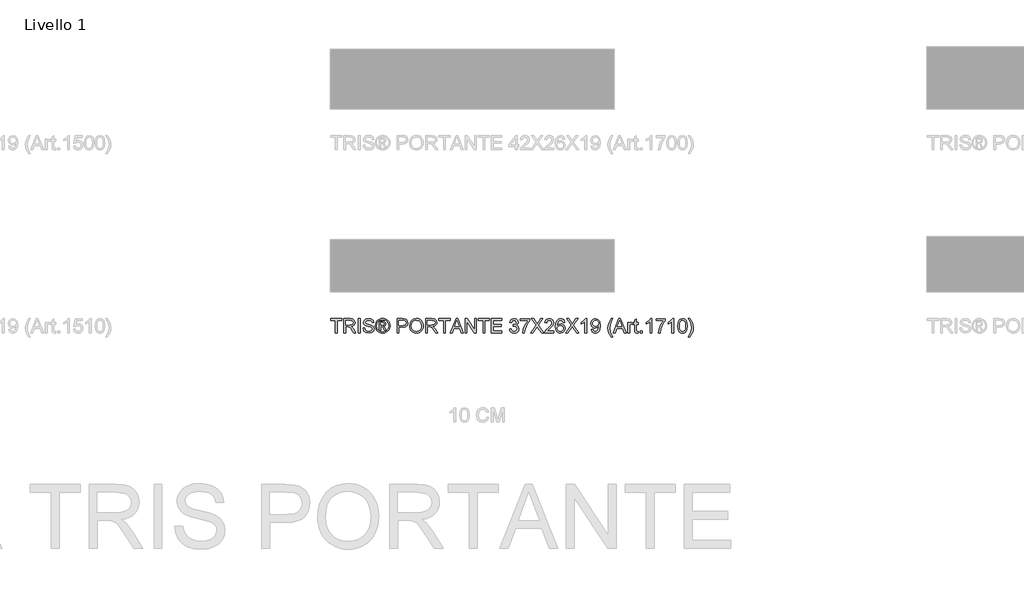
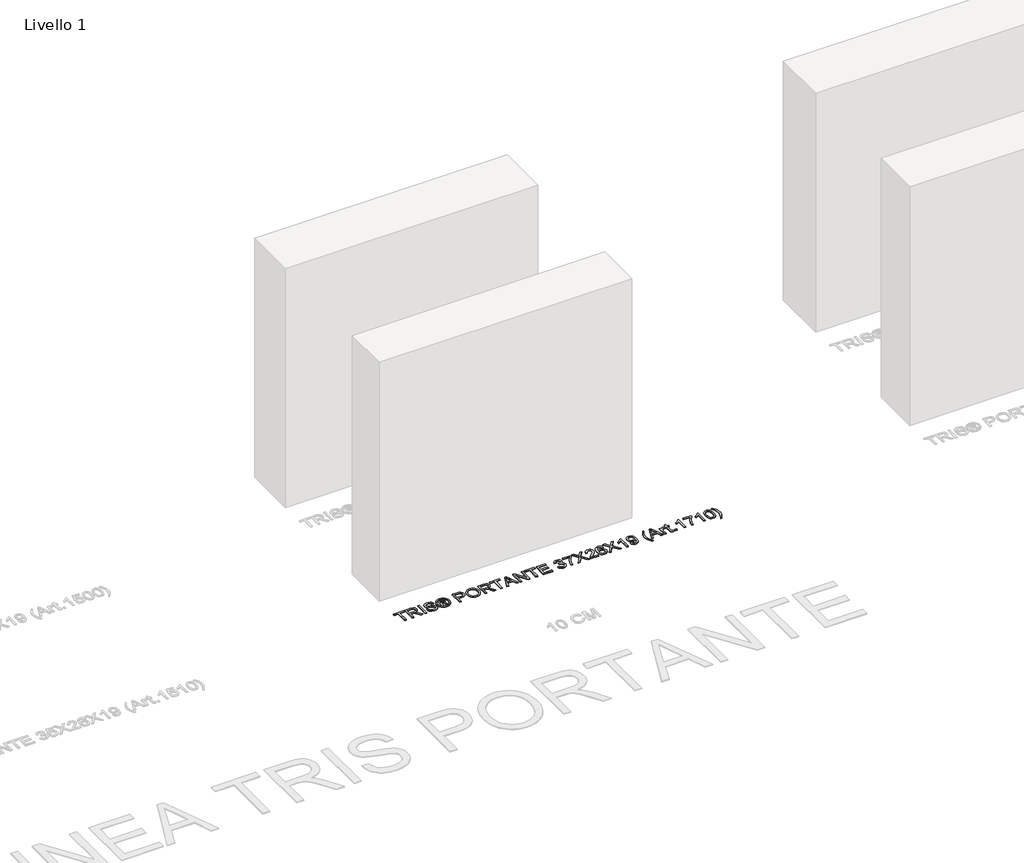
# One storey, part 8 of 19: 1 proxy.
"""IFC4 building model written with IfcOpenShell, lengths in millimetres."""

from ifc_helpers import new_model, si_unit, origin, origin_with_axes, place, context, project, spatial, polyline, outline, extrude, element, save

model = new_model("IFC4")

# Units and contexts
model_context = context("Model", 3, world=origin())
ifc_project = project(units=[si_unit("LENGTHUNIT", "METRE", prefix="MILLI")], contexts=[model_context])

# Site, building, storey
site = spatial("IfcSite", under=ifc_project)
building = spatial("IfcBuilding", under=site)
storey = spatial("IfcBuildingStorey", under=building, Name="Livello 1", Elevation=0.0)

# Proxy
placement = place(None, origin())
element("IfcBuildingElementProxy", 1, Name="100", ObjectType="100", at=placement, inside=storey, context=model_context, shape_type="SweptSolid", body=[
    extrude(outline(polyline([(-1100.6104208, -56.1057849), (-1100.6104208, 31.7934865), (-1133.5726476, 31.7934865), (-1133.5726476, 44.3505252), (-1055.0911553, 44.3505252), (-1055.0911553, 31.7934865), (-1088.053382, 31.7934865), (-1088.053382, -56.1057849), (-1100.6104208, -56.1057849)])), origin_with_axes(), (0.0, 0.0, 1.0), 5.0),
    extrude(outline(polyline([(-1040.9644866, -56.1057849), (-1040.9644866, 44.3505252), (-997.6770385, 44.3505252), (-977.5784189, 41.6404612), (-966.59101, 32.0510039), (-962.4829943, 16.8574775), (-964.1844486, 6.9614518), (-969.2888112, -1.2423167), (-977.9493666, -7.2571873), (-990.3193986, -10.5865194), (-983.1824879, -15.9575965), (-973.0044194, -28.8825173), (-956.2535259, -56.1057849), (-970.8461784, -56.1057849), (-983.9182519, -35.283664), (-993.3605565, -21.5003519), (-999.9946951, -14.9888406), (-1005.9666462, -12.5976076), (-1013.2507097, -12.1561492), (-1028.4074479, -12.1561492), (-1028.4074479, -56.1057849), (-1040.9644866, -56.1057849)]), holes=[polyline([(-1028.4074479, 0.4008895), (-1000.3012634, 0.4008895), (-985.9661284, 2.1789858), (-977.8236735, 7.868894), (-975.0400331, 16.3914936), (-980.3497966, 27.4524789), (-997.1374783, 31.7934865), (-1028.4074479, 31.7934865), (-1028.4074479, 0.4008895)])]), origin_with_axes(), (0.0, 0.0, 1.0), 5.0),
    extrude(outline(polyline([(-938.9385466, -56.1057849), (-938.9385466, 44.3505252), (-926.3815079, 44.3505252), (-926.3815079, -56.1057849), (-938.9385466, -56.1057849)])), origin_with_axes(), (0.0, 0.0, 1.0), 5.0),
    extrude(outline(polyline([(-905.9763199, -21.5739283), (-893.4192811, -21.5739283), (-889.3725792, -34.1432298), (-879.4888162, -42.0894809), (-864.4301799, -45.118376), (-851.3090554, -42.8252449), (-842.8355068, -36.5222), (-840.0518663, -28.0977024), (-842.136531, -20.2618159), (-850.6713933, -14.5596449), (-868.9551284, -9.7649163), (-888.6368152, -3.572236), (-899.3176558, 5.7719667), (-902.8370602, 18.255429), (-898.4837899, 32.4679368), (-885.7673356, 42.4988525), (-867.1525067, 45.9201551), (-847.2868789, 42.339437), (-834.0431271, 31.8180119), (-829.0644574, 16.097188), (-841.6214962, 16.097188), (-843.92689, 23.589718), (-848.7338814, 28.9975833), (-866.6619973, 33.3631163), (-884.6391642, 29.0466342), (-890.2800214, 18.623311), (-886.2823704, 9.9167705), (-865.7790805, 2.9024871), (-843.559008, -3.4005578), (-831.4066395, -13.5786263), (-827.4948276, -27.7788713), (-831.9952506, -42.8007194), (-844.9446969, -53.7636029), (-863.9396706, -57.6754148), (-886.3682095, -53.4570346), (-900.5561918, -40.752843), (-905.9763199, -21.5739283)])), origin_with_axes(), (0.0, 0.0, 1.0), 5.0),
    extrude(outline(polyline([(-791.3933411, -37.2702268), (-791.3933411, 25.5149671), (-771.1107804, 25.5149671), (-756.0521441, 23.7859217), (-748.6331905, 17.752657), (-745.8740756, 8.5923953), (-750.632016, -3.3269814), (-763.2381058, -9.0168895), (-758.3330125, -12.352353), (-749.7736247, -24.8848663), (-742.7348159, -37.2702268), (-753.3298173, -37.2702268), (-758.8480473, -27.3128874), (-768.0941481, -12.8919132), (-776.1139756, -10.5865194), (-781.975562, -10.5865194), (-781.975562, -37.2702268), (-791.3933411, -37.2702268)]), holes=[polyline([(-781.975562, -1.1687403), (-770.0561854, -1.1687403), (-758.4065889, 1.2224927), (-755.2918547, 7.5623257), (-756.7879081, 12.1240624), (-760.9449746, 15.1161693), (-770.8164749, 16.097188), (-781.975562, 16.097188), (-781.975562, -1.1687403)])]), origin_with_axes(), (0.0, 0.0, 1.0), 5.0),
    extrude(outline(polyline([(-767.824368, 45.9201551), (-754.930104, 44.246292), (-742.3424084, 39.2247028), (-731.2844888, 31.0883793), (-722.9795527, 20.0703135), (-717.7832196, 7.3477279), (-716.0511085, -5.9021553), (-717.7586941, -19.0355425), (-722.8814509, -31.653895), (-731.0852194, -42.6321069), (-742.0358401, -50.8450724), (-754.6449955, -55.9678292), (-767.824368, -57.6754148), (-780.9853463, -55.9678292), (-793.5883704, -50.8450724), (-804.5481881, -42.6321069), (-812.7795478, -31.653895), (-817.9298957, -19.0355425), (-819.6466783, -5.9021553), (-817.9053702, 7.3477279), (-812.6814459, 20.0703135), (-804.3489187, 31.0883793), (-793.281802, 39.2247028), (-780.7002378, 44.246292), (-767.824368, 45.9201551)]), holes=[polyline([(-767.824368, 36.502376), (-788.6464889, 31.0209343), (-797.6749262, 24.3592045), (-804.5022029, 15.3368985), (-810.2288993, -5.9021553), (-804.6125675, -26.9572682), (-788.8917435, -42.6413039), (-767.824368, -48.2576357), (-746.7447296, -42.6413039), (-731.0606939, -26.9572682), (-725.4688876, -5.9021553), (-731.1587958, 15.3368985), (-737.9676784, 24.3592045), (-747.0145098, 31.0209343), (-767.824368, 36.502376)])]), origin_with_axes(), (0.0, 0.0, 1.0), 5.0),
    extrude(outline(polyline([(-665.8229534, -56.1057849), (-665.8229534, 44.3505252), (-628.5932955, 44.3505252), (-613.5837101, 43.394032), (-601.3822906, 38.6974052), (-593.4728277, 28.9853206), (-590.4807208, 15.2878476), (-592.5010061, 3.4481787), (-598.561862, -6.4171901), (-609.8956931, -13.0758542), (-627.7349042, -15.2954089), (-653.2659147, -15.2954089), (-653.2659147, -56.1057849), (-665.8229534, -56.1057849)]), holes=[polyline([(-653.2659147, -2.7383702), (-626.9991402, -2.7383702), (-608.5069386, 1.8724175), (-604.4050543, 7.4213043), (-603.0377596, 14.8463892), (-606.2628584, 25.2451869), (-614.736407, 30.9350951), (-627.2934458, 31.7934865), (-653.2659147, 31.7934865), (-653.2659147, -2.7383702)])]), origin_with_axes(), (0.0, 0.0, 1.0), 5.0),
    extrude(outline(polyline([(-577.923682, -7.202005), (-574.5759559, 15.0119361), (-564.5327774, 31.8180119), (-549.1982296, 42.3946193), (-529.9763953, 45.9201551), (-516.8000885, 44.2646861), (-504.9849451, 39.2982792), (-495.1747586, 31.3704222), (-488.0133224, 20.830603), (-483.6355267, 8.1877251), (-482.1762614, -6.0493081), (-483.7121688, -20.4764137), (-488.3198908, -33.2971012), (-495.7449757, -43.8553145), (-505.7329719, -51.4949973), (-517.4469477, -56.1303104), (-530.0499717, -57.6754148), (-543.4286136, -55.9678292), (-555.3112021, -50.8450724), (-565.0968631, -42.7700626), (-572.1847229, -32.205718), (-577.923682, -7.202005)]), holes=[polyline([(-565.3666433, -7.3246324), (-562.8558487, -23.0393249), (-555.3234648, -35.0138839), (-544.0018964, -42.592253), (-530.1235481, -45.118376), (-516.0428648, -42.5677275), (-504.7029023, -34.915782), (-497.2257007, -22.5733411), (-494.7333002, -5.9512062), (-499.0007313, 14.7728128), (-511.471931, 28.4948112), (-529.9028189, 33.3631163), (-543.4102195, 31.0178686), (-554.8942691, 23.9821254), (-562.7485497, 11.4649405), (-565.3666433, -7.3246324)])]), origin_with_axes(), (0.0, 0.0, 1.0), 5.0),
    extrude(outline(polyline([(-464.9103331, -56.1057849), (-464.9103331, 44.3505252), (-421.622885, 44.3505252), (-401.5242654, 41.6404612), (-390.5368564, 32.0510039), (-386.4288408, 16.8574775), (-388.1302951, 6.9614518), (-393.2346577, -1.2423167), (-401.895213, -7.2571873), (-414.2652451, -10.5865194), (-407.1283344, -15.9575965), (-396.9502659, -28.8825173), (-380.1993724, -56.1057849), (-394.7920248, -56.1057849), (-407.8640984, -35.283664), (-417.306403, -21.5003519), (-423.9405416, -14.9888406), (-429.9124927, -12.5976076), (-437.1965562, -12.1561492), (-452.3532944, -12.1561492), (-452.3532944, -56.1057849), (-464.9103331, -56.1057849)]), holes=[polyline([(-452.3532944, 0.4008895), (-424.2471099, 0.4008895), (-409.9119749, 2.1789858), (-401.76952, 7.868894), (-398.9858796, 16.3914936), (-404.2956431, 27.4524789), (-421.0833248, 31.7934865), (-452.3532944, 31.7934865), (-452.3532944, 0.4008895)])]), origin_with_axes(), (0.0, 0.0, 1.0), 5.0),
    extrude(outline(polyline([(-339.3399454, -56.1057849), (-339.3399454, 31.7934865), (-372.3021722, 31.7934865), (-372.3021722, 44.3505252), (-293.8206799, 44.3505252), (-293.8206799, 31.7934865), (-326.7829067, 31.7934865), (-326.7829067, -56.1057849), (-339.3399454, -56.1057849)])), origin_with_axes(), (0.0, 0.0, 1.0), 5.0),
    extrude(outline(polyline([(-291.3926587, -56.1057849), (-251.2935213, 44.3505252), (-240.6004179, 44.3505252), (-200.5012805, -56.1057849), (-213.7695578, -56.1057849), (-225.2720015, -24.713188), (-266.6464632, -24.713188), (-278.1243814, -56.1057849), (-291.3926587, -56.1057849)]), holes=[polyline([(-262.0356755, -12.1561492), (-229.8582637, -12.1561492), (-238.9081608, 12.5409954), (-245.9469696, 31.7934865), (-252.2009635, 14.6992364), (-262.0356755, -12.1561492)])]), origin_with_axes(), (0.0, 0.0, 1.0), 5.0),
    extrude(outline(polyline([(-187.0858504, -56.1057849), (-187.0858504, 44.3505252), (-173.6458948, 44.3505252), (-121.1613968, -35.2346131), (-121.1613968, 44.3505252), (-108.6043581, 44.3505252), (-108.6043581, -56.1057849), (-122.0443136, -56.1057849), (-174.5288116, 23.5038788), (-174.5288116, -56.1057849), (-187.0858504, -56.1057849)])), origin_with_axes(), (0.0, 0.0, 1.0), 5.0),
    extrude(outline(polyline([(-61.5154627, -56.1057849), (-61.5154627, 31.7934865), (-94.4776895, 31.7934865), (-94.4776895, 44.3505252), (-15.9961971, 44.3505252), (-15.9961971, 31.7934865), (-48.9584239, 31.7934865), (-48.9584239, -56.1057849), (-61.5154627, -56.1057849)])), origin_with_axes(), (0.0, 0.0, 1.0), 5.0),
    extrude(outline(polyline([(-1.8695285, -56.1057849), (-1.8695285, 44.3505252), (70.3334444, 44.3505252), (70.3334444, 31.7934865), (10.6875102, 31.7934865), (10.6875102, 1.9705194), (67.1941847, 1.9705194), (67.1941847, -10.5865194), (10.6875102, -10.5865194), (10.6875102, -43.5487462), (71.9030742, -43.5487462), (71.9030742, -56.1057849), (-1.8695285, -56.1057849)])), origin_with_axes(), (0.0, 0.0, 1.0), 5.0),
    extrude(outline(polyline([(125.270489, -29.4220775), (137.8275278, -27.8524477), (144.755972, -41.0716741), (157.717681, -45.118376), (166.3261197, -43.7265558), (172.972521, -39.5510951), (178.6379038, -25.7677831), (173.021572, -12.7815486), (158.7477506, -7.6434634), (149.9431081, -9.0168895), (151.3410597, 3.5401492), (153.352148, 3.3929964), (167.6014439, 6.99824), (172.3471216, 11.5722395), (173.9290142, 18.0837508), (169.342752, 27.9062), (157.5214772, 31.7934865), (145.5530497, 27.8694118), (139.3971576, 16.097188), (126.8401188, 17.6668178), (130.5373329, 28.942401), (137.1162892, 37.3607673), (146.1171354, 42.6030857), (157.0800188, 44.3505252), (172.2244943, 40.9046972), (182.8194958, 31.4869181), (186.486053, 18.8195148), (183.0034368, 7.2434946), (172.7027409, -1.0706384), (186.3879511, -9.6545517), (191.1949425, -25.9885123), (188.7914468, -38.22672), (181.5809597, -48.4538394), (170.697784, -55.3700209), (157.2762226, -57.6754148), (145.1361167, -55.7072461), (135.2523538, -49.8027401), (128.3790919, -40.7712371), (125.270489, -29.4220775)])), origin_with_axes(), (0.0, 0.0, 1.0), 5.0),
    extrude(outline(polyline([(202.1823515, 30.2238566), (202.1823515, 42.7808954), (268.106805, 42.7808954), (268.106805, 32.6273523), (249.4061369, 5.6125511), (235.0955273, -28.8089409), (230.4356887, -56.1057849), (217.8786499, -56.1057849), (222.8695823, -27.7788713), (236.5670553, 4.239125), (255.5497662, 30.2238566), (202.1823515, 30.2238566)])), origin_with_axes(), (0.0, 0.0, 1.0), 5.0),
    extrude(outline(polyline([(272.8156945, -56.1057849), (311.5414059, -1.364944), (279.0942139, 44.3505252), (294.1528503, 44.3505252), (312.4243227, 18.623311), (318.5802147, 8.5923953), (325.7907018, 18.7949893), (343.8659705, 44.3505252), (359.1453361, 44.3505252), (326.6981441, -1.5120968), (365.4238555, -56.1057849), (350.3652191, -56.1057849), (324.5644285, -19.7099929), (319.1933514, -12.1561492), (313.282714, -20.4457569), (288.0950601, -56.1057849), (272.8156945, -56.1057849)])), origin_with_axes(), (0.0, 0.0, 1.0), 5.0),
    extrude(outline(polyline([(437.6268284, -43.5487462), (437.6268284, -56.1057849), (371.7023748, -56.1057849), (373.0512755, -47.4482953), (380.6786955, -34.1187043), (396.3995194, -19.5628401), (418.0800317, 1.3573827), (423.5001598, 15.5821532), (418.3866, 27.0968597), (405.0324836, 31.7934865), (391.1142814, 27.2072242), (385.8290435, 14.5275581), (373.2720047, 16.097188), (376.3162282, 28.2434252), (382.8982502, 37.1155127), (392.6747142, 42.5417721), (405.3022637, 44.3505252), (418.0217837, 42.339437), (427.7798536, 36.3061723), (433.9878623, 27.2930634), (436.0571985, 16.3424427), (433.8253811, 4.4353287), (426.4064275, -7.8764554), (408.416998, -25.08107), (393.9714983, -37.1598622), (388.3061156, -43.5487462), (437.6268284, -43.5487462)])), origin_with_axes(), (0.0, 0.0, 1.0), 5.0),
    extrude(outline(polyline([(514.5386908, 17.6668178), (501.9816521, 16.097188), (497.2237116, 26.5695621), (484.6421474, 31.7934865), (473.3113819, 28.7523286), (464.7397314, 17.335724), (461.1712761, -5.043764), (472.2445241, 4.974889), (485.9665225, 8.2490388), (497.5670681, 6.01109), (507.3036783, -0.7027565), (513.9071601, -10.9605328), (516.1083207, -23.8302712), (511.9635169, -41.1575132), (500.559175, -53.4202464), (484.1025871, -57.6754148), (469.8563568, -54.8549861), (458.510263, -46.3937003), (451.0882437, -31.4576912), (448.6142373, -9.2130933), (451.3610895, 15.796751), (459.6016462, 32.8971324), (470.8527039, 41.487177), (485.4269623, 44.3505252), (496.445028, 42.5785603), (505.2680646, 37.2626655), (511.4484821, 28.8197737), (514.5386908, 17.6668178)]), holes=[polyline([(461.1712761, -23.6340675), (464.0775438, -34.5111118), (471.8030657, -42.408312), (483.1215684, -45.118376), (491.4081104, -43.7142931), (497.9226874, -39.5020442), (502.1441333, -32.8801683), (503.5512819, -24.2472041), (502.1625274, -15.9606622), (497.9962638, -9.6422889), (491.3713222, -5.6415722), (482.6065336, -4.308), (467.4130072, -9.6422889), (462.7317089, -15.807378), (461.1712761, -23.6340675)])]), origin_with_axes(), (0.0, 0.0, 1.0), 5.0),
    extrude(outline(polyline([(520.8172102, -56.1057849), (559.5429216, -1.364944), (527.0957296, 44.3505252), (542.1543659, 44.3505252), (560.4258384, 18.623311), (566.5817304, 8.5923953), (573.7922175, 18.7949893), (591.8674862, 44.3505252), (607.1468517, 44.3505252), (574.6996598, -1.5120968), (613.4253711, -56.1057849), (598.3667348, -56.1057849), (572.5659442, -19.7099929), (567.1948671, -12.1561492), (561.2842297, -20.4457569), (536.0965757, -56.1057849), (520.8172102, -56.1057849)])), origin_with_axes(), (0.0, 0.0, 1.0), 5.0),
    extrude(outline(polyline([(668.3624157, -56.1057849), (655.805377, -56.1057849), (655.805377, 22.1795036), (643.9105258, 13.705955), (630.6912994, 7.366122), (630.6912994, 19.2364477), (649.0976619, 30.9841461), (660.2690119, 44.3505252), (668.3624157, 44.3505252), (668.3624157, -56.1057849)])), origin_with_axes(), (0.0, 0.0, 1.0), 5.0),
    extrude(outline(polyline([(699.7550127, -30.9917074), (712.3120514, -29.4220775), (717.9529087, -41.4027679), (728.646012, -45.118376), (738.8118178, -42.727143), (745.7034739, -36.3382591), (749.8114895, -25.4244265), (751.626374, -10.8562995), (751.5527976, -8.4037529), (741.5096191, -17.9196338), (727.7385698, -21.5739283), (716.2882427, -19.3421109), (706.7570333, -12.6466586), (700.3282954, -2.3030431), (698.1853828, 10.8732637), (700.4325287, 24.4848975), (707.1739662, 35.1534753), (717.2999182, 42.0512628), (729.7006071, 44.3505252), (747.5919348, 39.1020754), (759.9037189, 24.141541), (764.1098364, -3.9646435), (759.9159816, -34.4620609), (754.7012543, -44.4531227), (747.444782, -51.7402519), (738.4592642, -56.1916241), (728.0574008, -57.6754148), (717.3213779, -55.9249096), (708.7558588, -50.6733941), (702.7655137, -42.2519621), (699.7550127, -30.9917074)]), holes=[polyline([(751.5527976, 11.1675693), (750.1977656, 19.6779061), (746.1326695, 26.2262056), (739.8234933, 30.4016662), (731.7362208, 31.7934865), (723.3485113, 30.2943673), (716.6285335, 25.7970099), (712.2139496, 18.9145509), (710.7424216, 10.260127), (712.1342418, 2.5008826), (716.3097025, -3.6580751), (722.8641333, -7.6771859), (731.3928643, -9.0168895), (745.8751521, -3.6580751), (750.1333862, 2.7277432), (751.5527976, 11.1675693)])]), origin_with_axes(), (0.0, 0.0, 1.0), 5.0),
    extrude(outline(polyline([(842.5913287, -84.3591222), (824.7613146, -54.9040371), (819.298267, -37.7239479), (817.4772511, -19.9307221), (822.9219047, 10.6034835), (842.5913287, 44.3505252), (852.0091077, 44.3505252), (840.2614094, 24.460372), (833.1980751, 5.1833555), (830.0342899, -20.0042985), (835.5279944, -52.193973), (852.0091077, -84.3591222), (842.5913287, -84.3591222)])), origin_with_axes(), (0.0, 0.0, 1.0), 5.0),
    extrude(outline(polyline([(854.4371289, -56.1057849), (894.5362664, 44.3505252), (905.2293697, 44.3505252), (945.3285072, -56.1057849), (932.0602299, -56.1057849), (920.5577862, -24.713188), (879.1833244, -24.713188), (867.7054062, -56.1057849), (854.4371289, -56.1057849)]), holes=[polyline([(883.7941121, -12.1561492), (915.971524, -12.1561492), (906.9216269, 12.5409954), (899.882818, 31.7934865), (893.6288241, 14.6992364), (883.7941121, -12.1561492)])]), origin_with_axes(), (0.0, 0.0, 1.0), 5.0),
    extrude(outline(polyline([(957.1743074, -56.1057849), (957.1743074, 17.6668178), (968.1617163, 17.6668178), (968.1617163, 6.7529853), (975.9608146, 16.8084265), (983.8089639, 19.2364477), (996.4150536, 15.361424), (992.2211988, 4.104235), (983.3920309, 6.6794089), (976.2919084, 4.2023368), (971.7669599, -2.6647938), (969.7313462, -17.3310226), (969.7313462, -56.1057849), (957.1743074, -56.1057849)])), origin_with_axes(), (0.0, 0.0, 1.0), 5.0),
    extrude(outline(polyline([(1030.9469102, -45.6334108), (1032.51654, -56.4736669), (1023.1232864, -57.6754148), (1012.6018614, -55.5907501), (1007.3534116, -50.1215711), (1005.8328327, -35.8722752), (1005.8328327, 5.1097791), (996.4150536, 5.1097791), (996.4150536, 17.6668178), (1005.8328327, 17.6668178), (1005.8328327, 35.5949337), (1018.3898714, 42.9770991), (1018.3898714, 17.6668178), (1030.9469102, 17.6668178), (1030.9469102, 5.1097791), (1018.3898714, 5.1097791), (1018.3898714, -35.5043932), (1019.052059, -41.9791163), (1021.1980373, -44.2722474), (1025.4777312, -45.118376), (1030.9469102, -45.6334108)])), origin_with_axes(), (0.0, 0.0, 1.0), 5.0),
    extrude(outline(polyline([(1046.6432087, -56.1057849), (1046.6432087, -43.5487462), (1059.2002474, -43.5487462), (1059.2002474, -56.1057849), (1046.6432087, -56.1057849)])), origin_with_axes(), (0.0, 0.0, 1.0), 5.0),
    extrude(outline(polyline([(1126.6943308, -56.1057849), (1114.137292, -56.1057849), (1114.137292, 22.1795036), (1102.2424409, 13.705955), (1089.0232145, 7.366122), (1089.0232145, 19.2364477), (1107.429577, 30.9841461), (1118.6009269, 44.3505252), (1126.6943308, 44.3505252), (1126.6943308, -56.1057849)])), origin_with_axes(), (0.0, 0.0, 1.0), 5.0),
    extrude(outline(polyline([(1156.5172979, 30.2238566), (1156.5172979, 42.7808954), (1222.4417514, 42.7808954), (1222.4417514, 32.6273523), (1203.7410833, 5.6125511), (1189.4304737, -28.8089409), (1184.7706351, -56.1057849), (1172.2135963, -56.1057849), (1177.2045287, -27.7788713), (1190.9020017, 4.239125), (1209.8847126, 30.2238566), (1156.5172979, 30.2238566)])), origin_with_axes(), (0.0, 0.0, 1.0), 5.0),
    extrude(outline(polyline([(1280.5180557, -56.1057849), (1267.961017, -56.1057849), (1267.961017, 22.1795036), (1256.0661658, 13.705955), (1242.8469394, 7.366122), (1242.8469394, 19.2364477), (1261.2533019, 30.9841461), (1272.4246518, 44.3505252), (1280.5180557, 44.3505252), (1280.5180557, -56.1057849)])), origin_with_axes(), (0.0, 0.0, 1.0), 5.0),
    extrude(outline(polyline([(1310.3410228, -6.6869702), (1314.0321055, 22.2162918), (1324.9949889, 38.8813462), (1343.3032496, 44.3505252), (1357.9694784, 41.1131637), (1368.098496, 31.7812237), (1373.984608, 16.9187911), (1376.2654763, -6.6869702), (1372.6111818, -35.467605), (1361.6850866, -52.1694476), (1353.4537269, -56.298923), (1343.3032496, -57.6754148), (1330.2557015, -55.2841818), (1320.3474131, -48.1104829), (1312.8426204, -31.1204661), (1310.3410228, -6.6869702)]), holes=[polyline([(1322.8980616, -6.6624448), (1324.3695895, -26.4146422), (1328.7841735, -37.8465752), (1335.3569985, -43.3004258), (1343.3032496, -45.118376), (1351.2495007, -43.2942944), (1357.8223256, -37.8220498), (1362.2369096, -26.3839854), (1363.7084376, -6.6624448), (1362.2859605, 12.6452286), (1358.0185294, 24.1660664), (1351.4579671, 29.8866314), (1343.1560968, 31.7934865), (1335.2956848, 30.113492), (1328.9803772, 25.0735087), (1324.4186405, 12.835301), (1322.8980616, -6.6624448)])]), origin_with_axes(), (0.0, 0.0, 1.0), 5.0),
    extrude(outline(polyline([(1393.5314046, -84.3591222), (1384.1136256, -84.3591222), (1400.5947389, -52.193973), (1406.0884434, -20.0042985), (1402.9246582, 4.9626263), (1395.9349003, 24.2641683), (1384.1136256, 44.3505252), (1393.5314046, 44.3505252), (1413.2008286, 10.6034835), (1418.6454822, -19.9307221), (1416.8152693, -37.7239479), (1411.3246305, -54.9040371), (1393.5314046, -84.3591222)])), origin_with_axes(), (0.0, 0.0, 1.0), 5.0),
])

save(model, "model.ifc")
